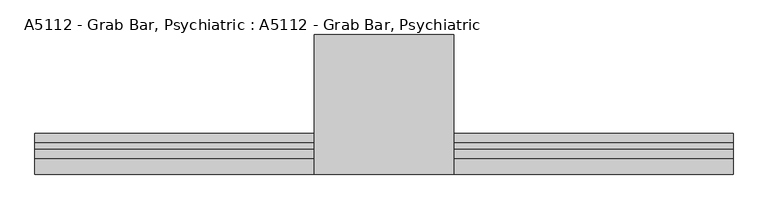
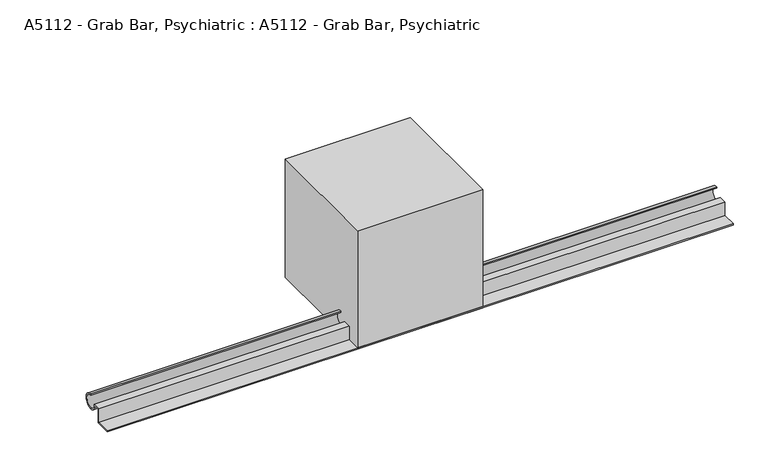
"""IFC4 building model written with IfcOpenShell, lengths in millimetres: proxy geometry, A5112 - Grab Bar, Psychiatric : A5112 - Grab Bar, Psychiatric."""

from ifc_helpers import new_model, si_unit, point, frame, frame_2d, origin, origin_with_axes, place, context, project, spatial, polyline, circle_curve, trimmed, segment, composite_curve, outline, extrude, source, transform, mapped, element, save


def a5112_grab_bar_psychiatric_a5112_grab_bar_psychiatric_dcd99951(model_context):
    return source(origin(), model_context, "Body", "SweptSolid", [
        extrude(outline(composite_curve([segment(polyline([(38.1, 0.0), (0.0, 0.0), (0.0, 3.175), (34.925, 3.175), (34.925, 38.1), (54.0545744, 38.1)]), True, "CONTINUOUS"), segment(trimmed(circle_curve(frame_2d((69.85, 36.5125)), 15.875), [point((54.0545744, 38.1))], [point((69.85, 52.3875))], True, "CARTESIAN"), True, "CONTINUOUS"), segment(polyline([(69.85, 52.3875), (69.85, 55.5625)]), True, "CONTINUOUS"), segment(trimmed(circle_curve(frame_2d((69.85, 36.5125)), 19.05), [point((69.85, 55.5625))], [point((50.8662611, 34.925))], False, "CARTESIAN"), True, "CONTINUOUS"), segment(polyline([(50.8662611, 34.925), (38.1, 34.925), (38.1, 0.0)]), True, "CONTINUOUS")], self_intersect=False)), frame((-762.0, 0.0, 0.0), z_axis=(1.0, 0.0, 0.0), x_axis=(0.0, 1.0, 0.0)), (0.0, 0.0, 1.0), 1524.0),
        extrude(outline(polyline([(152.4, 304.8), (152.4, 0.0), (-152.4, 0.0), (-152.4, 304.8), (152.4, 304.8)])), origin_with_axes(), (0.0, 0.0, 1.0), 304.8),
    ])


if __name__ == "__main__":
    model = new_model("IFC4")
    model_context = context("Model", 3, world=origin())
    ifc_project = project(units=[si_unit("LENGTHUNIT", "METRE", prefix="MILLI")], contexts=[model_context])
    site = spatial("IfcSite", under=ifc_project)
    building = spatial("IfcBuilding", under=site)
    placement = place(None, origin())
    a5112_grab_bar_psychiatric_a5112_grab_bar_psychiatric_shape = a5112_grab_bar_psychiatric_a5112_grab_bar_psychiatric_dcd99951(model_context)
    element("IfcBuildingElementProxy", 1, Name="A5112 - Grab Bar, Psychiatric : A5112 - Grab Bar, Psychiatric", ObjectType="A5112 - Grab Bar, Psychiatric : A5112 - Grab Bar, Psychiatric", at=placement, inside=building, context=model_context, shape_type="MappedRepresentation", body=[
        mapped(a5112_grab_bar_psychiatric_a5112_grab_bar_psychiatric_shape, transform((0.0, 0.0, 0.0), x_axis=(1.0, 0.0, 0.0), y_axis=(0.0, 1.0, 0.0), z_axis=(0.0, 0.0, 1.0))),
    ])
    save(model, "model.ifc")
